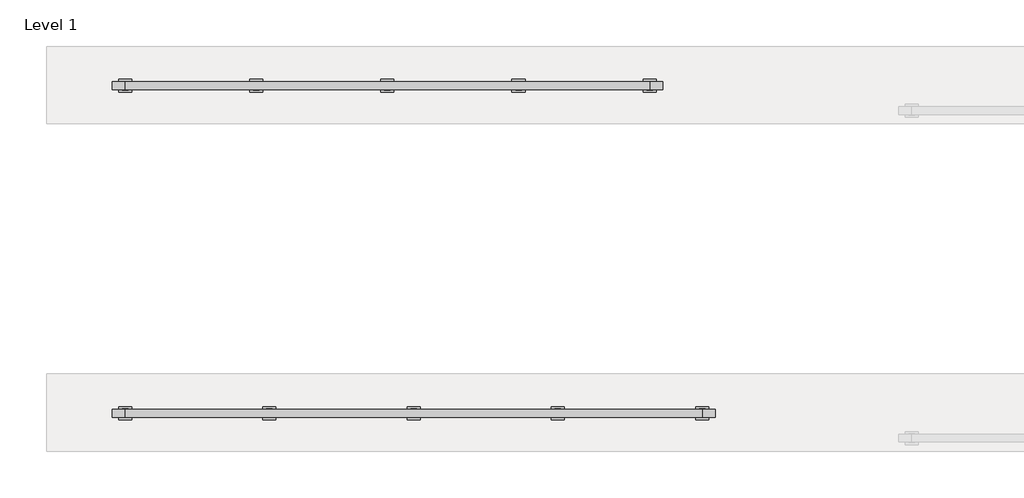
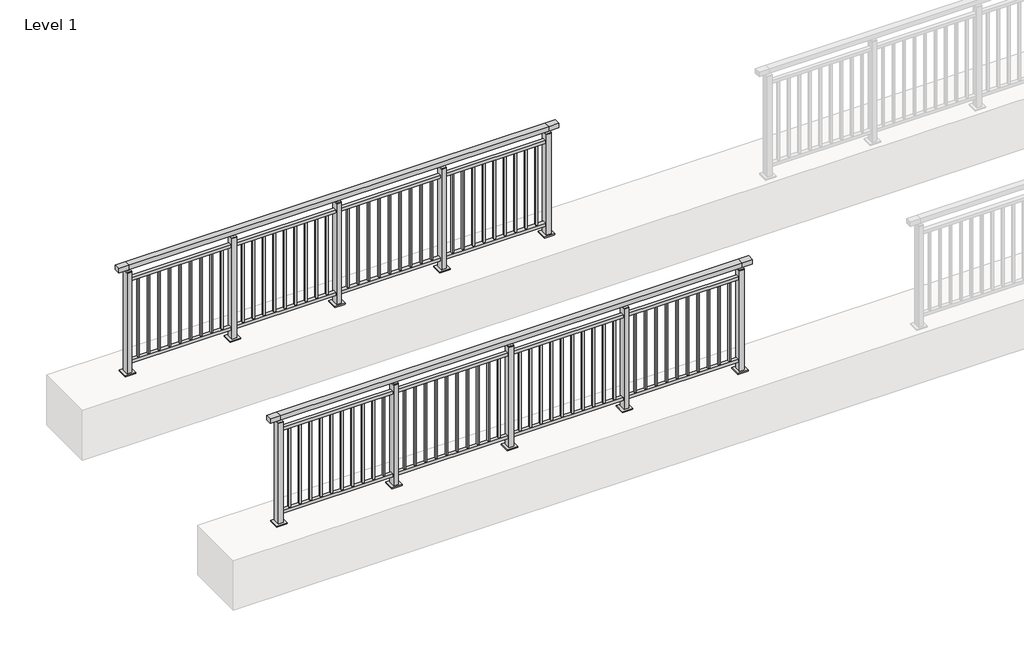
# One storey, part 3 of 37: 2 railings.
"""IFC4 building model written with IfcOpenShell, lengths in millimetres."""

from ifc_helpers import new_model, si_unit, frame, origin, origin_with_axes, place, context, project, spatial, polyline, outline, extrude, faceted_brep, element, save

model = new_model("IFC4")

# Units and contexts
model_context = context("Model", 3, world=origin())
ifc_project = project(units=[si_unit("LENGTHUNIT", "METRE", prefix="MILLI")], contexts=[model_context])

# Site, building, storey
site = spatial("IfcSite", under=ifc_project)
building = spatial("IfcBuilding", under=site)
storey = spatial("IfcBuildingStorey", under=building, Name="Level 1", Elevation=0.0)

# Railings
placement = place(None, origin())
element("IfcRailing", 1, at=placement, inside=storey, context=model_context, shape_type="SolidModel", body=[
    faceted_brep([(0.0, 220.1846828, 1055.0), (0.0, 220.1846828, 1100.0), (4400.0, 220.1846828, 1100.0), (4400.0, 220.1846828, 1055.0), (0.0, 160.1846828, 1055.0), (4400.0, 160.1846828, 1055.0), (0.0, 160.1846828, 1100.0), (4400.0, 160.1846828, 1100.0), (-100.0, 220.1846828, 1100.0), (-100.0, 220.1846828, 1055.0), (-100.0, 160.1846828, 1055.0), (-100.0, 160.1846828, 1100.0), (4500.0, 220.1846828, 1100.0), (4500.0, 160.1846828, 1100.0), (4500.0, 160.1846828, 1055.0), (4500.0, 220.1846828, 1055.0)], [[[0, 1, 2, 3]], [[4, 0, 3, 5]], [[6, 4, 5, 7]], [[1, 6, 7, 2]], [[8, 9, 10, 11]], [[9, 8, 1, 0]], [[10, 9, 0, 4]], [[11, 10, 4, 6]], [[8, 11, 6, 1]], [[12, 13, 14, 15]], [[3, 2, 12, 15]], [[5, 3, 15, 14]], [[7, 5, 14, 13]], [[2, 7, 13, 12]]]),
    extrude(outline(polyline([(0.0, 172.6846828), (0.0, 207.6846828), (4400.0, 207.6846828), (4400.0, 172.6846828), (0.0, 172.6846828)])), frame((0.0, 0.0, 930.0), z_axis=(0.0, 0.0, 1.0), x_axis=(1.0, 0.0, 0.0)), (0.0, 0.0, 1.0), 30.0),
    extrude(outline(polyline([(0.0, 172.6846828), (0.0, 207.6846828), (4400.0, 207.6846828), (4400.0, 172.6846828), (0.0, 172.6846828)])), frame((0.0, 0.0, 95.0), z_axis=(0.0, 0.0, 1.0), x_axis=(1.0, 0.0, 0.0)), (0.0, 0.0, 1.0), 30.0),
    extrude(outline(polyline([(4308.5, 181.6846828), (4291.5, 181.6846828), (4291.5, 198.6846828), (4308.5, 198.6846828), (4308.5, 181.6846828)])), frame((0.0, 0.0, 125.0), z_axis=(0.0, 0.0, 1.0), x_axis=(1.0, 0.0, 0.0)), (0.0, 0.0, 1.0), 805.0),
    extrude(outline(polyline([(4208.5, 181.6846828), (4191.5, 181.6846828), (4191.5, 198.6846828), (4208.5, 198.6846828), (4208.5, 181.6846828)])), frame((0.0, 0.0, 125.0), z_axis=(0.0, 0.0, 1.0), x_axis=(1.0, 0.0, 0.0)), (0.0, 0.0, 1.0), 805.0),
    extrude(outline(polyline([(4108.5, 181.6846828), (4091.5, 181.6846828), (4091.5, 198.6846828), (4108.5, 198.6846828), (4108.5, 181.6846828)])), frame((0.0, 0.0, 125.0), z_axis=(0.0, 0.0, 1.0), x_axis=(1.0, 0.0, 0.0)), (0.0, 0.0, 1.0), 805.0),
    extrude(outline(polyline([(4008.5, 181.6846828), (3991.5, 181.6846828), (3991.5, 198.6846828), (4008.5, 198.6846828), (4008.5, 181.6846828)])), frame((0.0, 0.0, 125.0), z_axis=(0.0, 0.0, 1.0), x_axis=(1.0, 0.0, 0.0)), (0.0, 0.0, 1.0), 805.0),
    extrude(outline(polyline([(3908.5, 181.6846828), (3891.5, 181.6846828), (3891.5, 198.6846828), (3908.5, 198.6846828), (3908.5, 181.6846828)])), frame((0.0, 0.0, 125.0), z_axis=(0.0, 0.0, 1.0), x_axis=(1.0, 0.0, 0.0)), (0.0, 0.0, 1.0), 805.0),
    extrude(outline(polyline([(3808.5, 181.6846828), (3791.5, 181.6846828), (3791.5, 198.6846828), (3808.5, 198.6846828), (3808.5, 181.6846828)])), frame((0.0, 0.0, 125.0), z_axis=(0.0, 0.0, 1.0), x_axis=(1.0, 0.0, 0.0)), (0.0, 0.0, 1.0), 805.0),
    extrude(outline(polyline([(3708.5, 181.6846828), (3691.5, 181.6846828), (3691.5, 198.6846828), (3708.5, 198.6846828), (3708.5, 181.6846828)])), frame((0.0, 0.0, 125.0), z_axis=(0.0, 0.0, 1.0), x_axis=(1.0, 0.0, 0.0)), (0.0, 0.0, 1.0), 805.0),
    extrude(outline(polyline([(3608.5, 181.6846828), (3591.5, 181.6846828), (3591.5, 198.6846828), (3608.5, 198.6846828), (3608.5, 181.6846828)])), frame((0.0, 0.0, 125.0), z_axis=(0.0, 0.0, 1.0), x_axis=(1.0, 0.0, 0.0)), (0.0, 0.0, 1.0), 805.0),
    extrude(outline(polyline([(3508.5, 181.6846828), (3491.5, 181.6846828), (3491.5, 198.6846828), (3508.5, 198.6846828), (3508.5, 181.6846828)])), frame((0.0, 0.0, 125.0), z_axis=(0.0, 0.0, 1.0), x_axis=(1.0, 0.0, 0.0)), (0.0, 0.0, 1.0), 805.0),
    extrude(outline(polyline([(3408.5, 181.6846828), (3391.5, 181.6846828), (3391.5, 198.6846828), (3408.5, 198.6846828), (3408.5, 181.6846828)])), frame((0.0, 0.0, 125.0), z_axis=(0.0, 0.0, 1.0), x_axis=(1.0, 0.0, 0.0)), (0.0, 0.0, 1.0), 805.0),
    extrude(outline(polyline([(3310.0, 200.1846828), (3310.0, 180.1846828), (3290.0, 180.1846828), (3290.0, 200.1846828), (3310.0, 200.1846828)])), frame((0.0, 0.0, 1035.0), z_axis=(0.0, 0.0, 1.0), x_axis=(1.0, 0.0, 0.0)), (0.0, 0.0, 1.0), 20.0),
    extrude(outline(polyline([(3322.5, 222.6846828), (3322.5, 157.6846828), (3277.5, 157.6846828), (3277.5, 222.6846828), (3322.5, 222.6846828)])), frame((0.0, 0.0, 1027.0), z_axis=(0.0, 0.0, 1.0), x_axis=(1.0, 0.0, 0.0)), (0.0, 0.0, 1.0), 8.0),
    extrude(outline(polyline([(3350.0, 240.1846828), (3350.0, 140.1846828), (3250.0, 140.1846828), (3250.0, 240.1846828), (3350.0, 240.1846828)])), origin_with_axes(), (0.0, 0.0, 1.0), 12.0),
    extrude(outline(polyline([(3322.5, 222.6846828), (3322.5, 157.6846828), (3277.5, 157.6846828), (3277.5, 222.6846828), (3322.5, 222.6846828)])), frame((0.0, 0.0, 12.0), z_axis=(0.0, 0.0, 1.0), x_axis=(1.0, 0.0, 0.0)), (0.0, 0.0, 1.0), 1015.0),
    extrude(outline(polyline([(3208.5, 181.6846828), (3191.5, 181.6846828), (3191.5, 198.6846828), (3208.5, 198.6846828), (3208.5, 181.6846828)])), frame((0.0, 0.0, 125.0), z_axis=(0.0, 0.0, 1.0), x_axis=(1.0, 0.0, 0.0)), (0.0, 0.0, 1.0), 805.0),
    extrude(outline(polyline([(3108.5, 181.6846828), (3091.5, 181.6846828), (3091.5, 198.6846828), (3108.5, 198.6846828), (3108.5, 181.6846828)])), frame((0.0, 0.0, 125.0), z_axis=(0.0, 0.0, 1.0), x_axis=(1.0, 0.0, 0.0)), (0.0, 0.0, 1.0), 805.0),
    extrude(outline(polyline([(3008.5, 181.6846828), (2991.5, 181.6846828), (2991.5, 198.6846828), (3008.5, 198.6846828), (3008.5, 181.6846828)])), frame((0.0, 0.0, 125.0), z_axis=(0.0, 0.0, 1.0), x_axis=(1.0, 0.0, 0.0)), (0.0, 0.0, 1.0), 805.0),
    extrude(outline(polyline([(2908.5, 181.6846828), (2891.5, 181.6846828), (2891.5, 198.6846828), (2908.5, 198.6846828), (2908.5, 181.6846828)])), frame((0.0, 0.0, 125.0), z_axis=(0.0, 0.0, 1.0), x_axis=(1.0, 0.0, 0.0)), (0.0, 0.0, 1.0), 805.0),
    extrude(outline(polyline([(2808.5, 181.6846828), (2791.5, 181.6846828), (2791.5, 198.6846828), (2808.5, 198.6846828), (2808.5, 181.6846828)])), frame((0.0, 0.0, 125.0), z_axis=(0.0, 0.0, 1.0), x_axis=(1.0, 0.0, 0.0)), (0.0, 0.0, 1.0), 805.0),
    extrude(outline(polyline([(2708.5, 181.6846828), (2691.5, 181.6846828), (2691.5, 198.6846828), (2708.5, 198.6846828), (2708.5, 181.6846828)])), frame((0.0, 0.0, 125.0), z_axis=(0.0, 0.0, 1.0), x_axis=(1.0, 0.0, 0.0)), (0.0, 0.0, 1.0), 805.0),
    extrude(outline(polyline([(2608.5, 181.6846828), (2591.5, 181.6846828), (2591.5, 198.6846828), (2608.5, 198.6846828), (2608.5, 181.6846828)])), frame((0.0, 0.0, 125.0), z_axis=(0.0, 0.0, 1.0), x_axis=(1.0, 0.0, 0.0)), (0.0, 0.0, 1.0), 805.0),
    extrude(outline(polyline([(2508.5, 181.6846828), (2491.5, 181.6846828), (2491.5, 198.6846828), (2508.5, 198.6846828), (2508.5, 181.6846828)])), frame((0.0, 0.0, 125.0), z_axis=(0.0, 0.0, 1.0), x_axis=(1.0, 0.0, 0.0)), (0.0, 0.0, 1.0), 805.0),
    extrude(outline(polyline([(2408.5, 181.6846828), (2391.5, 181.6846828), (2391.5, 198.6846828), (2408.5, 198.6846828), (2408.5, 181.6846828)])), frame((0.0, 0.0, 125.0), z_axis=(0.0, 0.0, 1.0), x_axis=(1.0, 0.0, 0.0)), (0.0, 0.0, 1.0), 805.0),
    extrude(outline(polyline([(2308.5, 181.6846828), (2291.5, 181.6846828), (2291.5, 198.6846828), (2308.5, 198.6846828), (2308.5, 181.6846828)])), frame((0.0, 0.0, 125.0), z_axis=(0.0, 0.0, 1.0), x_axis=(1.0, 0.0, 0.0)), (0.0, 0.0, 1.0), 805.0),
    extrude(outline(polyline([(2210.0, 200.1846828), (2210.0, 180.1846828), (2190.0, 180.1846828), (2190.0, 200.1846828), (2210.0, 200.1846828)])), frame((0.0, 0.0, 1035.0), z_axis=(0.0, 0.0, 1.0), x_axis=(1.0, 0.0, 0.0)), (0.0, 0.0, 1.0), 20.0),
    extrude(outline(polyline([(2222.5, 222.6846828), (2222.5, 157.6846828), (2177.5, 157.6846828), (2177.5, 222.6846828), (2222.5, 222.6846828)])), frame((0.0, 0.0, 1027.0), z_axis=(0.0, 0.0, 1.0), x_axis=(1.0, 0.0, 0.0)), (0.0, 0.0, 1.0), 8.0),
    extrude(outline(polyline([(2250.0, 240.1846828), (2250.0, 140.1846828), (2150.0, 140.1846828), (2150.0, 240.1846828), (2250.0, 240.1846828)])), origin_with_axes(), (0.0, 0.0, 1.0), 12.0),
    extrude(outline(polyline([(2222.5, 222.6846828), (2222.5, 157.6846828), (2177.5, 157.6846828), (2177.5, 222.6846828), (2222.5, 222.6846828)])), frame((0.0, 0.0, 12.0), z_axis=(0.0, 0.0, 1.0), x_axis=(1.0, 0.0, 0.0)), (0.0, 0.0, 1.0), 1015.0),
    extrude(outline(polyline([(2108.5, 181.6846828), (2091.5, 181.6846828), (2091.5, 198.6846828), (2108.5, 198.6846828), (2108.5, 181.6846828)])), frame((0.0, 0.0, 125.0), z_axis=(0.0, 0.0, 1.0), x_axis=(1.0, 0.0, 0.0)), (0.0, 0.0, 1.0), 805.0),
    extrude(outline(polyline([(2008.5, 181.6846828), (1991.5, 181.6846828), (1991.5, 198.6846828), (2008.5, 198.6846828), (2008.5, 181.6846828)])), frame((0.0, 0.0, 125.0), z_axis=(0.0, 0.0, 1.0), x_axis=(1.0, 0.0, 0.0)), (0.0, 0.0, 1.0), 805.0),
    extrude(outline(polyline([(1908.5, 181.6846828), (1891.5, 181.6846828), (1891.5, 198.6846828), (1908.5, 198.6846828), (1908.5, 181.6846828)])), frame((0.0, 0.0, 125.0), z_axis=(0.0, 0.0, 1.0), x_axis=(1.0, 0.0, 0.0)), (0.0, 0.0, 1.0), 805.0),
    extrude(outline(polyline([(1808.5, 181.6846828), (1791.5, 181.6846828), (1791.5, 198.6846828), (1808.5, 198.6846828), (1808.5, 181.6846828)])), frame((0.0, 0.0, 125.0), z_axis=(0.0, 0.0, 1.0), x_axis=(1.0, 0.0, 0.0)), (0.0, 0.0, 1.0), 805.0),
    extrude(outline(polyline([(1708.5, 181.6846828), (1691.5, 181.6846828), (1691.5, 198.6846828), (1708.5, 198.6846828), (1708.5, 181.6846828)])), frame((0.0, 0.0, 125.0), z_axis=(0.0, 0.0, 1.0), x_axis=(1.0, 0.0, 0.0)), (0.0, 0.0, 1.0), 805.0),
    extrude(outline(polyline([(1608.5, 181.6846828), (1591.5, 181.6846828), (1591.5, 198.6846828), (1608.5, 198.6846828), (1608.5, 181.6846828)])), frame((0.0, 0.0, 125.0), z_axis=(0.0, 0.0, 1.0), x_axis=(1.0, 0.0, 0.0)), (0.0, 0.0, 1.0), 805.0),
    extrude(outline(polyline([(1508.5, 181.6846828), (1491.5, 181.6846828), (1491.5, 198.6846828), (1508.5, 198.6846828), (1508.5, 181.6846828)])), frame((0.0, 0.0, 125.0), z_axis=(0.0, 0.0, 1.0), x_axis=(1.0, 0.0, 0.0)), (0.0, 0.0, 1.0), 805.0),
    extrude(outline(polyline([(1408.5, 181.6846828), (1391.5, 181.6846828), (1391.5, 198.6846828), (1408.5, 198.6846828), (1408.5, 181.6846828)])), frame((0.0, 0.0, 125.0), z_axis=(0.0, 0.0, 1.0), x_axis=(1.0, 0.0, 0.0)), (0.0, 0.0, 1.0), 805.0),
    extrude(outline(polyline([(1308.5, 181.6846828), (1291.5, 181.6846828), (1291.5, 198.6846828), (1308.5, 198.6846828), (1308.5, 181.6846828)])), frame((0.0, 0.0, 125.0), z_axis=(0.0, 0.0, 1.0), x_axis=(1.0, 0.0, 0.0)), (0.0, 0.0, 1.0), 805.0),
    extrude(outline(polyline([(1208.5, 181.6846828), (1191.5, 181.6846828), (1191.5, 198.6846828), (1208.5, 198.6846828), (1208.5, 181.6846828)])), frame((0.0, 0.0, 125.0), z_axis=(0.0, 0.0, 1.0), x_axis=(1.0, 0.0, 0.0)), (0.0, 0.0, 1.0), 805.0),
    extrude(outline(polyline([(1110.0, 200.1846828), (1110.0, 180.1846828), (1090.0, 180.1846828), (1090.0, 200.1846828), (1110.0, 200.1846828)])), frame((0.0, 0.0, 1035.0), z_axis=(0.0, 0.0, 1.0), x_axis=(1.0, 0.0, 0.0)), (0.0, 0.0, 1.0), 20.0),
    extrude(outline(polyline([(1122.5, 222.6846828), (1122.5, 157.6846828), (1077.5, 157.6846828), (1077.5, 222.6846828), (1122.5, 222.6846828)])), frame((0.0, 0.0, 1027.0), z_axis=(0.0, 0.0, 1.0), x_axis=(1.0, 0.0, 0.0)), (0.0, 0.0, 1.0), 8.0),
    extrude(outline(polyline([(1150.0, 240.1846828), (1150.0, 140.1846828), (1050.0, 140.1846828), (1050.0, 240.1846828), (1150.0, 240.1846828)])), origin_with_axes(), (0.0, 0.0, 1.0), 12.0),
    extrude(outline(polyline([(1122.5, 222.6846828), (1122.5, 157.6846828), (1077.5, 157.6846828), (1077.5, 222.6846828), (1122.5, 222.6846828)])), frame((0.0, 0.0, 12.0), z_axis=(0.0, 0.0, 1.0), x_axis=(1.0, 0.0, 0.0)), (0.0, 0.0, 1.0), 1015.0),
    extrude(outline(polyline([(1008.5, 181.6846828), (991.5, 181.6846828), (991.5, 198.6846828), (1008.5, 198.6846828), (1008.5, 181.6846828)])), frame((0.0, 0.0, 125.0), z_axis=(0.0, 0.0, 1.0), x_axis=(1.0, 0.0, 0.0)), (0.0, 0.0, 1.0), 805.0),
    extrude(outline(polyline([(908.5, 181.6846828), (891.5, 181.6846828), (891.5, 198.6846828), (908.5, 198.6846828), (908.5, 181.6846828)])), frame((0.0, 0.0, 125.0), z_axis=(0.0, 0.0, 1.0), x_axis=(1.0, 0.0, 0.0)), (0.0, 0.0, 1.0), 805.0),
    extrude(outline(polyline([(808.5, 181.6846828), (791.5, 181.6846828), (791.5, 198.6846828), (808.5, 198.6846828), (808.5, 181.6846828)])), frame((0.0, 0.0, 125.0), z_axis=(0.0, 0.0, 1.0), x_axis=(1.0, 0.0, 0.0)), (0.0, 0.0, 1.0), 805.0),
    extrude(outline(polyline([(708.5, 181.6846828), (691.5, 181.6846828), (691.5, 198.6846828), (708.5, 198.6846828), (708.5, 181.6846828)])), frame((0.0, 0.0, 125.0), z_axis=(0.0, 0.0, 1.0), x_axis=(1.0, 0.0, 0.0)), (0.0, 0.0, 1.0), 805.0),
    extrude(outline(polyline([(608.5, 181.6846828), (591.5, 181.6846828), (591.5, 198.6846828), (608.5, 198.6846828), (608.5, 181.6846828)])), frame((0.0, 0.0, 125.0), z_axis=(0.0, 0.0, 1.0), x_axis=(1.0, 0.0, 0.0)), (0.0, 0.0, 1.0), 805.0),
    extrude(outline(polyline([(508.5, 181.6846828), (491.5, 181.6846828), (491.5, 198.6846828), (508.5, 198.6846828), (508.5, 181.6846828)])), frame((0.0, 0.0, 125.0), z_axis=(0.0, 0.0, 1.0), x_axis=(1.0, 0.0, 0.0)), (0.0, 0.0, 1.0), 805.0),
    extrude(outline(polyline([(408.5, 181.6846828), (391.5, 181.6846828), (391.5, 198.6846828), (408.5, 198.6846828), (408.5, 181.6846828)])), frame((0.0, 0.0, 125.0), z_axis=(0.0, 0.0, 1.0), x_axis=(1.0, 0.0, 0.0)), (0.0, 0.0, 1.0), 805.0),
    extrude(outline(polyline([(308.5, 181.6846828), (291.5, 181.6846828), (291.5, 198.6846828), (308.5, 198.6846828), (308.5, 181.6846828)])), frame((0.0, 0.0, 125.0), z_axis=(0.0, 0.0, 1.0), x_axis=(1.0, 0.0, 0.0)), (0.0, 0.0, 1.0), 805.0),
    extrude(outline(polyline([(208.5, 181.6846828), (191.5, 181.6846828), (191.5, 198.6846828), (208.5, 198.6846828), (208.5, 181.6846828)])), frame((0.0, 0.0, 125.0), z_axis=(0.0, 0.0, 1.0), x_axis=(1.0, 0.0, 0.0)), (0.0, 0.0, 1.0), 805.0),
    extrude(outline(polyline([(108.5, 181.6846828), (91.5, 181.6846828), (91.5, 198.6846828), (108.5, 198.6846828), (108.5, 181.6846828)])), frame((0.0, 0.0, 125.0), z_axis=(0.0, 0.0, 1.0), x_axis=(1.0, 0.0, 0.0)), (0.0, 0.0, 1.0), 805.0),
    extrude(outline(polyline([(4410.0, 200.1846828), (4410.0, 180.1846828), (4390.0, 180.1846828), (4390.0, 200.1846828), (4410.0, 200.1846828)])), frame((0.0, 0.0, 1035.0), z_axis=(0.0, 0.0, 1.0), x_axis=(1.0, 0.0, 0.0)), (0.0, 0.0, 1.0), 20.0),
    extrude(outline(polyline([(4422.5, 222.6846828), (4422.5, 157.6846828), (4377.5, 157.6846828), (4377.5, 222.6846828), (4422.5, 222.6846828)])), frame((0.0, 0.0, 1027.0), z_axis=(0.0, 0.0, 1.0), x_axis=(1.0, 0.0, 0.0)), (0.0, 0.0, 1.0), 8.0),
    extrude(outline(polyline([(4450.0, 240.1846828), (4450.0, 140.1846828), (4350.0, 140.1846828), (4350.0, 240.1846828), (4450.0, 240.1846828)])), origin_with_axes(), (0.0, 0.0, 1.0), 12.0),
    extrude(outline(polyline([(4422.5, 222.6846828), (4422.5, 157.6846828), (4377.5, 157.6846828), (4377.5, 222.6846828), (4422.5, 222.6846828)])), frame((0.0, 0.0, 12.0), z_axis=(0.0, 0.0, 1.0), x_axis=(1.0, 0.0, 0.0)), (0.0, 0.0, 1.0), 1015.0),
    extrude(outline(polyline([(10.0, 200.1846828), (10.0, 180.1846828), (-10.0, 180.1846828), (-10.0, 200.1846828), (10.0, 200.1846828)])), frame((0.0, 0.0, 1035.0), z_axis=(0.0, 0.0, 1.0), x_axis=(1.0, 0.0, 0.0)), (0.0, 0.0, 1.0), 20.0),
    extrude(outline(polyline([(22.5, 222.6846828), (22.5, 157.6846828), (-22.5, 157.6846828), (-22.5, 222.6846828), (22.5, 222.6846828)])), frame((0.0, 0.0, 1027.0), z_axis=(0.0, 0.0, 1.0), x_axis=(1.0, 0.0, 0.0)), (0.0, 0.0, 1.0), 8.0),
    extrude(outline(polyline([(50.0, 240.1846828), (50.0, 140.1846828), (-50.0, 140.1846828), (-50.0, 240.1846828), (50.0, 240.1846828)])), origin_with_axes(), (0.0, 0.0, 1.0), 12.0),
    extrude(outline(polyline([(22.5, 222.6846828), (22.5, 157.6846828), (-22.5, 157.6846828), (-22.5, 222.6846828), (22.5, 222.6846828)])), frame((0.0, 0.0, 12.0), z_axis=(0.0, 0.0, 1.0), x_axis=(1.0, 0.0, 0.0)), (0.0, 0.0, 1.0), 1015.0),
])
element("IfcRailing", 2, at=placement, inside=storey, context=model_context, shape_type="SolidModel", body=[
    faceted_brep([(0.0, 2720.1846828, 1055.0), (0.0, 2720.1846828, 1100.0), (4000.0, 2720.1846828, 1100.0), (4000.0, 2720.1846828, 1055.0), (0.0, 2660.1846828, 1055.0), (4000.0, 2660.1846828, 1055.0), (0.0, 2660.1846828, 1100.0), (4000.0, 2660.1846828, 1100.0), (-100.0, 2720.1846828, 1100.0), (-100.0, 2720.1846828, 1055.0), (-100.0, 2660.1846828, 1055.0), (-100.0, 2660.1846828, 1100.0), (4100.0, 2720.1846828, 1100.0), (4100.0, 2660.1846828, 1100.0), (4100.0, 2660.1846828, 1055.0), (4100.0, 2720.1846828, 1055.0)], [[[0, 1, 2, 3]], [[4, 0, 3, 5]], [[6, 4, 5, 7]], [[1, 6, 7, 2]], [[8, 9, 10, 11]], [[9, 8, 1, 0]], [[10, 9, 0, 4]], [[11, 10, 4, 6]], [[8, 11, 6, 1]], [[12, 13, 14, 15]], [[3, 2, 12, 15]], [[5, 3, 15, 14]], [[7, 5, 14, 13]], [[2, 7, 13, 12]]]),
    extrude(outline(polyline([(0.0, 2672.6846828), (0.0, 2707.6846828), (4000.0, 2707.6846828), (4000.0, 2672.6846828), (0.0, 2672.6846828)])), frame((0.0, 0.0, 930.0), z_axis=(0.0, 0.0, 1.0), x_axis=(1.0, 0.0, 0.0)), (0.0, 0.0, 1.0), 30.0),
    extrude(outline(polyline([(0.0, 2672.6846828), (0.0, 2707.6846828), (4000.0, 2707.6846828), (4000.0, 2672.6846828), (0.0, 2672.6846828)])), frame((0.0, 0.0, 95.0), z_axis=(0.0, 0.0, 1.0), x_axis=(1.0, 0.0, 0.0)), (0.0, 0.0, 1.0), 30.0),
    extrude(outline(polyline([(3908.5, 2698.6846828), (3908.5, 2681.6846828), (3891.5, 2681.6846828), (3891.5, 2698.6846828), (3908.5, 2698.6846828)])), frame((0.0, 0.0, 125.0), z_axis=(0.0, 0.0, 1.0), x_axis=(1.0, 0.0, 0.0)), (0.0, 0.0, 1.0), 805.0),
    extrude(outline(polyline([(3808.5, 2698.6846828), (3808.5, 2681.6846828), (3791.5, 2681.6846828), (3791.5, 2698.6846828), (3808.5, 2698.6846828)])), frame((0.0, 0.0, 125.0), z_axis=(0.0, 0.0, 1.0), x_axis=(1.0, 0.0, 0.0)), (0.0, 0.0, 1.0), 805.0),
    extrude(outline(polyline([(3708.5, 2698.6846828), (3708.5, 2681.6846828), (3691.5, 2681.6846828), (3691.5, 2698.6846828), (3708.5, 2698.6846828)])), frame((0.0, 0.0, 125.0), z_axis=(0.0, 0.0, 1.0), x_axis=(1.0, 0.0, 0.0)), (0.0, 0.0, 1.0), 805.0),
    extrude(outline(polyline([(3608.5, 2698.6846828), (3608.5, 2681.6846828), (3591.5, 2681.6846828), (3591.5, 2698.6846828), (3608.5, 2698.6846828)])), frame((0.0, 0.0, 125.0), z_axis=(0.0, 0.0, 1.0), x_axis=(1.0, 0.0, 0.0)), (0.0, 0.0, 1.0), 805.0),
    extrude(outline(polyline([(3508.5, 2698.6846828), (3508.5, 2681.6846828), (3491.5, 2681.6846828), (3491.5, 2698.6846828), (3508.5, 2698.6846828)])), frame((0.0, 0.0, 125.0), z_axis=(0.0, 0.0, 1.0), x_axis=(1.0, 0.0, 0.0)), (0.0, 0.0, 1.0), 805.0),
    extrude(outline(polyline([(3408.5, 2698.6846828), (3408.5, 2681.6846828), (3391.5, 2681.6846828), (3391.5, 2698.6846828), (3408.5, 2698.6846828)])), frame((0.0, 0.0, 125.0), z_axis=(0.0, 0.0, 1.0), x_axis=(1.0, 0.0, 0.0)), (0.0, 0.0, 1.0), 805.0),
    extrude(outline(polyline([(3308.5, 2698.6846828), (3308.5, 2681.6846828), (3291.5, 2681.6846828), (3291.5, 2698.6846828), (3308.5, 2698.6846828)])), frame((0.0, 0.0, 125.0), z_axis=(0.0, 0.0, 1.0), x_axis=(1.0, 0.0, 0.0)), (0.0, 0.0, 1.0), 805.0),
    extrude(outline(polyline([(3208.5, 2698.6846828), (3208.5, 2681.6846828), (3191.5, 2681.6846828), (3191.5, 2698.6846828), (3208.5, 2698.6846828)])), frame((0.0, 0.0, 125.0), z_axis=(0.0, 0.0, 1.0), x_axis=(1.0, 0.0, 0.0)), (0.0, 0.0, 1.0), 805.0),
    extrude(outline(polyline([(3108.5, 2698.6846828), (3108.5, 2681.6846828), (3091.5, 2681.6846828), (3091.5, 2698.6846828), (3108.5, 2698.6846828)])), frame((0.0, 0.0, 125.0), z_axis=(0.0, 0.0, 1.0), x_axis=(1.0, 0.0, 0.0)), (0.0, 0.0, 1.0), 805.0),
    extrude(outline(polyline([(3010.0, 2680.1846828), (2990.0, 2680.1846828), (2990.0, 2700.1846828), (3010.0, 2700.1846828), (3010.0, 2680.1846828)])), frame((0.0, 0.0, 1035.0), z_axis=(0.0, 0.0, 1.0), x_axis=(1.0, 0.0, 0.0)), (0.0, 0.0, 1.0), 20.0),
    extrude(outline(polyline([(3022.5, 2657.6846828), (2977.5, 2657.6846828), (2977.5, 2722.6846828), (3022.5, 2722.6846828), (3022.5, 2657.6846828)])), frame((0.0, 0.0, 1027.0), z_axis=(0.0, 0.0, 1.0), x_axis=(1.0, 0.0, 0.0)), (0.0, 0.0, 1.0), 8.0),
    extrude(outline(polyline([(3050.0, 2640.1846828), (2950.0, 2640.1846828), (2950.0, 2740.1846828), (3050.0, 2740.1846828), (3050.0, 2640.1846828)])), origin_with_axes(), (0.0, 0.0, 1.0), 12.0),
    extrude(outline(polyline([(3022.5, 2657.6846828), (2977.5, 2657.6846828), (2977.5, 2722.6846828), (3022.5, 2722.6846828), (3022.5, 2657.6846828)])), frame((0.0, 0.0, 12.0), z_axis=(0.0, 0.0, 1.0), x_axis=(1.0, 0.0, 0.0)), (0.0, 0.0, 1.0), 1015.0),
    extrude(outline(polyline([(2908.5, 2698.6846828), (2908.5, 2681.6846828), (2891.5, 2681.6846828), (2891.5, 2698.6846828), (2908.5, 2698.6846828)])), frame((0.0, 0.0, 125.0), z_axis=(0.0, 0.0, 1.0), x_axis=(1.0, 0.0, 0.0)), (0.0, 0.0, 1.0), 805.0),
    extrude(outline(polyline([(2808.5, 2698.6846828), (2808.5, 2681.6846828), (2791.5, 2681.6846828), (2791.5, 2698.6846828), (2808.5, 2698.6846828)])), frame((0.0, 0.0, 125.0), z_axis=(0.0, 0.0, 1.0), x_axis=(1.0, 0.0, 0.0)), (0.0, 0.0, 1.0), 805.0),
    extrude(outline(polyline([(2708.5, 2698.6846828), (2708.5, 2681.6846828), (2691.5, 2681.6846828), (2691.5, 2698.6846828), (2708.5, 2698.6846828)])), frame((0.0, 0.0, 125.0), z_axis=(0.0, 0.0, 1.0), x_axis=(1.0, 0.0, 0.0)), (0.0, 0.0, 1.0), 805.0),
    extrude(outline(polyline([(2608.5, 2698.6846828), (2608.5, 2681.6846828), (2591.5, 2681.6846828), (2591.5, 2698.6846828), (2608.5, 2698.6846828)])), frame((0.0, 0.0, 125.0), z_axis=(0.0, 0.0, 1.0), x_axis=(1.0, 0.0, 0.0)), (0.0, 0.0, 1.0), 805.0),
    extrude(outline(polyline([(2508.5, 2698.6846828), (2508.5, 2681.6846828), (2491.5, 2681.6846828), (2491.5, 2698.6846828), (2508.5, 2698.6846828)])), frame((0.0, 0.0, 125.0), z_axis=(0.0, 0.0, 1.0), x_axis=(1.0, 0.0, 0.0)), (0.0, 0.0, 1.0), 805.0),
    extrude(outline(polyline([(2408.5, 2698.6846828), (2408.5, 2681.6846828), (2391.5, 2681.6846828), (2391.5, 2698.6846828), (2408.5, 2698.6846828)])), frame((0.0, 0.0, 125.0), z_axis=(0.0, 0.0, 1.0), x_axis=(1.0, 0.0, 0.0)), (0.0, 0.0, 1.0), 805.0),
    extrude(outline(polyline([(2308.5, 2698.6846828), (2308.5, 2681.6846828), (2291.5, 2681.6846828), (2291.5, 2698.6846828), (2308.5, 2698.6846828)])), frame((0.0, 0.0, 125.0), z_axis=(0.0, 0.0, 1.0), x_axis=(1.0, 0.0, 0.0)), (0.0, 0.0, 1.0), 805.0),
    extrude(outline(polyline([(2208.5, 2698.6846828), (2208.5, 2681.6846828), (2191.5, 2681.6846828), (2191.5, 2698.6846828), (2208.5, 2698.6846828)])), frame((0.0, 0.0, 125.0), z_axis=(0.0, 0.0, 1.0), x_axis=(1.0, 0.0, 0.0)), (0.0, 0.0, 1.0), 805.0),
    extrude(outline(polyline([(2108.5, 2698.6846828), (2108.5, 2681.6846828), (2091.5, 2681.6846828), (2091.5, 2698.6846828), (2108.5, 2698.6846828)])), frame((0.0, 0.0, 125.0), z_axis=(0.0, 0.0, 1.0), x_axis=(1.0, 0.0, 0.0)), (0.0, 0.0, 1.0), 805.0),
    extrude(outline(polyline([(2010.0, 2680.1846828), (1990.0, 2680.1846828), (1990.0, 2700.1846828), (2010.0, 2700.1846828), (2010.0, 2680.1846828)])), frame((0.0, 0.0, 1035.0), z_axis=(0.0, 0.0, 1.0), x_axis=(1.0, 0.0, 0.0)), (0.0, 0.0, 1.0), 20.0),
    extrude(outline(polyline([(2022.5, 2657.6846828), (1977.5, 2657.6846828), (1977.5, 2722.6846828), (2022.5, 2722.6846828), (2022.5, 2657.6846828)])), frame((0.0, 0.0, 1027.0), z_axis=(0.0, 0.0, 1.0), x_axis=(1.0, 0.0, 0.0)), (0.0, 0.0, 1.0), 8.0),
    extrude(outline(polyline([(2050.0, 2640.1846828), (1950.0, 2640.1846828), (1950.0, 2740.1846828), (2050.0, 2740.1846828), (2050.0, 2640.1846828)])), origin_with_axes(), (0.0, 0.0, 1.0), 12.0),
    extrude(outline(polyline([(2022.5, 2657.6846828), (1977.5, 2657.6846828), (1977.5, 2722.6846828), (2022.5, 2722.6846828), (2022.5, 2657.6846828)])), frame((0.0, 0.0, 12.0), z_axis=(0.0, 0.0, 1.0), x_axis=(1.0, 0.0, 0.0)), (0.0, 0.0, 1.0), 1015.0),
    extrude(outline(polyline([(1908.5, 2698.6846828), (1908.5, 2681.6846828), (1891.5, 2681.6846828), (1891.5, 2698.6846828), (1908.5, 2698.6846828)])), frame((0.0, 0.0, 125.0), z_axis=(0.0, 0.0, 1.0), x_axis=(1.0, 0.0, 0.0)), (0.0, 0.0, 1.0), 805.0),
    extrude(outline(polyline([(1808.5, 2698.6846828), (1808.5, 2681.6846828), (1791.5, 2681.6846828), (1791.5, 2698.6846828), (1808.5, 2698.6846828)])), frame((0.0, 0.0, 125.0), z_axis=(0.0, 0.0, 1.0), x_axis=(1.0, 0.0, 0.0)), (0.0, 0.0, 1.0), 805.0),
    extrude(outline(polyline([(1708.5, 2698.6846828), (1708.5, 2681.6846828), (1691.5, 2681.6846828), (1691.5, 2698.6846828), (1708.5, 2698.6846828)])), frame((0.0, 0.0, 125.0), z_axis=(0.0, 0.0, 1.0), x_axis=(1.0, 0.0, 0.0)), (0.0, 0.0, 1.0), 805.0),
    extrude(outline(polyline([(1608.5, 2698.6846828), (1608.5, 2681.6846828), (1591.5, 2681.6846828), (1591.5, 2698.6846828), (1608.5, 2698.6846828)])), frame((0.0, 0.0, 125.0), z_axis=(0.0, 0.0, 1.0), x_axis=(1.0, 0.0, 0.0)), (0.0, 0.0, 1.0), 805.0),
    extrude(outline(polyline([(1508.5, 2698.6846828), (1508.5, 2681.6846828), (1491.5, 2681.6846828), (1491.5, 2698.6846828), (1508.5, 2698.6846828)])), frame((0.0, 0.0, 125.0), z_axis=(0.0, 0.0, 1.0), x_axis=(1.0, 0.0, 0.0)), (0.0, 0.0, 1.0), 805.0),
    extrude(outline(polyline([(1408.5, 2698.6846828), (1408.5, 2681.6846828), (1391.5, 2681.6846828), (1391.5, 2698.6846828), (1408.5, 2698.6846828)])), frame((0.0, 0.0, 125.0), z_axis=(0.0, 0.0, 1.0), x_axis=(1.0, 0.0, 0.0)), (0.0, 0.0, 1.0), 805.0),
    extrude(outline(polyline([(1308.5, 2698.6846828), (1308.5, 2681.6846828), (1291.5, 2681.6846828), (1291.5, 2698.6846828), (1308.5, 2698.6846828)])), frame((0.0, 0.0, 125.0), z_axis=(0.0, 0.0, 1.0), x_axis=(1.0, 0.0, 0.0)), (0.0, 0.0, 1.0), 805.0),
    extrude(outline(polyline([(1208.5, 2698.6846828), (1208.5, 2681.6846828), (1191.5, 2681.6846828), (1191.5, 2698.6846828), (1208.5, 2698.6846828)])), frame((0.0, 0.0, 125.0), z_axis=(0.0, 0.0, 1.0), x_axis=(1.0, 0.0, 0.0)), (0.0, 0.0, 1.0), 805.0),
    extrude(outline(polyline([(1108.5, 2698.6846828), (1108.5, 2681.6846828), (1091.5, 2681.6846828), (1091.5, 2698.6846828), (1108.5, 2698.6846828)])), frame((0.0, 0.0, 125.0), z_axis=(0.0, 0.0, 1.0), x_axis=(1.0, 0.0, 0.0)), (0.0, 0.0, 1.0), 805.0),
    extrude(outline(polyline([(1010.0, 2680.1846828), (990.0, 2680.1846828), (990.0, 2700.1846828), (1010.0, 2700.1846828), (1010.0, 2680.1846828)])), frame((0.0, 0.0, 1035.0), z_axis=(0.0, 0.0, 1.0), x_axis=(1.0, 0.0, 0.0)), (0.0, 0.0, 1.0), 20.0),
    extrude(outline(polyline([(1022.5, 2657.6846828), (977.5, 2657.6846828), (977.5, 2722.6846828), (1022.5, 2722.6846828), (1022.5, 2657.6846828)])), frame((0.0, 0.0, 1027.0), z_axis=(0.0, 0.0, 1.0), x_axis=(1.0, 0.0, 0.0)), (0.0, 0.0, 1.0), 8.0),
    extrude(outline(polyline([(1050.0, 2640.1846828), (950.0, 2640.1846828), (950.0, 2740.1846828), (1050.0, 2740.1846828), (1050.0, 2640.1846828)])), origin_with_axes(), (0.0, 0.0, 1.0), 12.0),
    extrude(outline(polyline([(1022.5, 2657.6846828), (977.5, 2657.6846828), (977.5, 2722.6846828), (1022.5, 2722.6846828), (1022.5, 2657.6846828)])), frame((0.0, 0.0, 12.0), z_axis=(0.0, 0.0, 1.0), x_axis=(1.0, 0.0, 0.0)), (0.0, 0.0, 1.0), 1015.0),
    extrude(outline(polyline([(908.5, 2698.6846828), (908.5, 2681.6846828), (891.5, 2681.6846828), (891.5, 2698.6846828), (908.5, 2698.6846828)])), frame((0.0, 0.0, 125.0), z_axis=(0.0, 0.0, 1.0), x_axis=(1.0, 0.0, 0.0)), (0.0, 0.0, 1.0), 805.0),
    extrude(outline(polyline([(808.5, 2698.6846828), (808.5, 2681.6846828), (791.5, 2681.6846828), (791.5, 2698.6846828), (808.5, 2698.6846828)])), frame((0.0, 0.0, 125.0), z_axis=(0.0, 0.0, 1.0), x_axis=(1.0, 0.0, 0.0)), (0.0, 0.0, 1.0), 805.0),
    extrude(outline(polyline([(708.5, 2698.6846828), (708.5, 2681.6846828), (691.5, 2681.6846828), (691.5, 2698.6846828), (708.5, 2698.6846828)])), frame((0.0, 0.0, 125.0), z_axis=(0.0, 0.0, 1.0), x_axis=(1.0, 0.0, 0.0)), (0.0, 0.0, 1.0), 805.0),
    extrude(outline(polyline([(608.5, 2698.6846828), (608.5, 2681.6846828), (591.5, 2681.6846828), (591.5, 2698.6846828), (608.5, 2698.6846828)])), frame((0.0, 0.0, 125.0), z_axis=(0.0, 0.0, 1.0), x_axis=(1.0, 0.0, 0.0)), (0.0, 0.0, 1.0), 805.0),
    extrude(outline(polyline([(508.5, 2698.6846828), (508.5, 2681.6846828), (491.5, 2681.6846828), (491.5, 2698.6846828), (508.5, 2698.6846828)])), frame((0.0, 0.0, 125.0), z_axis=(0.0, 0.0, 1.0), x_axis=(1.0, 0.0, 0.0)), (0.0, 0.0, 1.0), 805.0),
    extrude(outline(polyline([(408.5, 2698.6846828), (408.5, 2681.6846828), (391.5, 2681.6846828), (391.5, 2698.6846828), (408.5, 2698.6846828)])), frame((0.0, 0.0, 125.0), z_axis=(0.0, 0.0, 1.0), x_axis=(1.0, 0.0, 0.0)), (0.0, 0.0, 1.0), 805.0),
    extrude(outline(polyline([(308.5, 2698.6846828), (308.5, 2681.6846828), (291.5, 2681.6846828), (291.5, 2698.6846828), (308.5, 2698.6846828)])), frame((0.0, 0.0, 125.0), z_axis=(0.0, 0.0, 1.0), x_axis=(1.0, 0.0, 0.0)), (0.0, 0.0, 1.0), 805.0),
    extrude(outline(polyline([(208.5, 2698.6846828), (208.5, 2681.6846828), (191.5, 2681.6846828), (191.5, 2698.6846828), (208.5, 2698.6846828)])), frame((0.0, 0.0, 125.0), z_axis=(0.0, 0.0, 1.0), x_axis=(1.0, 0.0, 0.0)), (0.0, 0.0, 1.0), 805.0),
    extrude(outline(polyline([(108.5, 2698.6846828), (108.5, 2681.6846828), (91.5, 2681.6846828), (91.5, 2698.6846828), (108.5, 2698.6846828)])), frame((0.0, 0.0, 125.0), z_axis=(0.0, 0.0, 1.0), x_axis=(1.0, 0.0, 0.0)), (0.0, 0.0, 1.0), 805.0),
    extrude(outline(polyline([(4010.0, 2680.1846828), (3990.0, 2680.1846828), (3990.0, 2700.1846828), (4010.0, 2700.1846828), (4010.0, 2680.1846828)])), frame((0.0, 0.0, 1035.0), z_axis=(0.0, 0.0, 1.0), x_axis=(1.0, 0.0, 0.0)), (0.0, 0.0, 1.0), 20.0),
    extrude(outline(polyline([(4022.5, 2657.6846828), (3977.5, 2657.6846828), (3977.5, 2722.6846828), (4022.5, 2722.6846828), (4022.5, 2657.6846828)])), frame((0.0, 0.0, 1027.0), z_axis=(0.0, 0.0, 1.0), x_axis=(1.0, 0.0, 0.0)), (0.0, 0.0, 1.0), 8.0),
    extrude(outline(polyline([(4050.0, 2640.1846828), (3950.0, 2640.1846828), (3950.0, 2740.1846828), (4050.0, 2740.1846828), (4050.0, 2640.1846828)])), origin_with_axes(), (0.0, 0.0, 1.0), 12.0),
    extrude(outline(polyline([(4022.5, 2657.6846828), (3977.5, 2657.6846828), (3977.5, 2722.6846828), (4022.5, 2722.6846828), (4022.5, 2657.6846828)])), frame((0.0, 0.0, 12.0), z_axis=(0.0, 0.0, 1.0), x_axis=(1.0, 0.0, 0.0)), (0.0, 0.0, 1.0), 1015.0),
    extrude(outline(polyline([(10.0, 2680.1846828), (-10.0, 2680.1846828), (-10.0, 2700.1846828), (10.0, 2700.1846828), (10.0, 2680.1846828)])), frame((0.0, 0.0, 1035.0), z_axis=(0.0, 0.0, 1.0), x_axis=(1.0, 0.0, 0.0)), (0.0, 0.0, 1.0), 20.0),
    extrude(outline(polyline([(22.5, 2657.6846828), (-22.5, 2657.6846828), (-22.5, 2722.6846828), (22.5, 2722.6846828), (22.5, 2657.6846828)])), frame((0.0, 0.0, 1027.0), z_axis=(0.0, 0.0, 1.0), x_axis=(1.0, 0.0, 0.0)), (0.0, 0.0, 1.0), 8.0),
    extrude(outline(polyline([(50.0, 2640.1846828), (-50.0, 2640.1846828), (-50.0, 2740.1846828), (50.0, 2740.1846828), (50.0, 2640.1846828)])), origin_with_axes(), (0.0, 0.0, 1.0), 12.0),
    extrude(outline(polyline([(22.5, 2657.6846828), (-22.5, 2657.6846828), (-22.5, 2722.6846828), (22.5, 2722.6846828), (22.5, 2657.6846828)])), frame((0.0, 0.0, 12.0), z_axis=(0.0, 0.0, 1.0), x_axis=(1.0, 0.0, 0.0)), (0.0, 0.0, 1.0), 1015.0),
])

save(model, "model.ifc")
